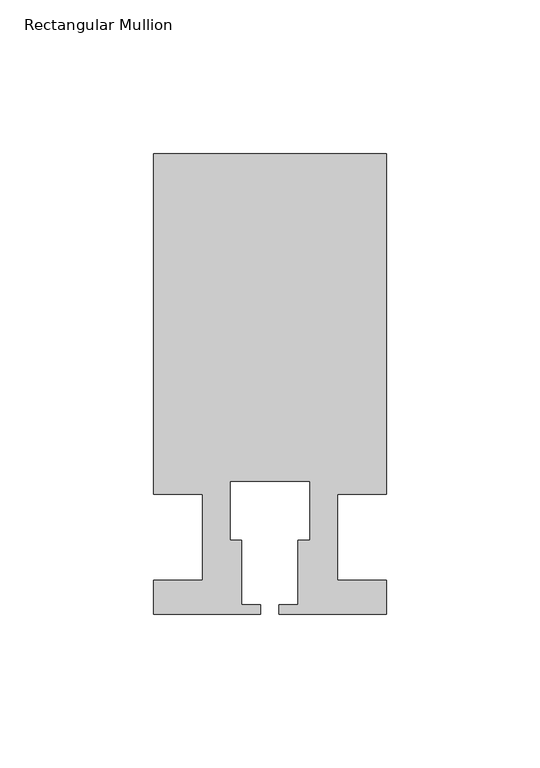
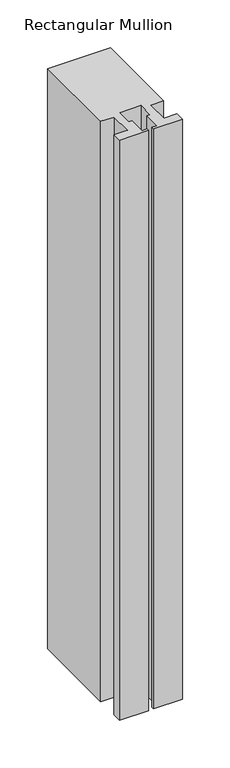
"""IFC4 building model written with IfcOpenShell, lengths in millimetres: member geometry, Rectangular Mullion."""

from ifc_helpers import new_model, si_unit, frame, origin, place, context, project, spatial, polyline, outline, extrude, source, transform, mapped, element, save


def rectangular_mullion_6ab8b440(model_context):
    return source(origin(), model_context, "Body", "SweptSolid", [
        extrude(outline(polyline([(37.9999914, 124.9960123), (37.9999914, 13.9960123), (21.9999651, 13.9960123), (21.9999651, -14.0039877), (37.9999896, -14.0039877), (37.9999896, -25.0039877), (2.9999651, -25.0039877), (2.9999651, -22.0039877), (9.1999651, -22.0039877), (9.1999651, -1.0039877), (12.9999651, -1.0039877), (12.9999651, 18.1960075), (-12.9999633, 18.1960075), (-12.9999633, -1.0039877), (-9.1999633, -1.0039877), (-9.1999633, -22.0039877), (-2.9999896, -22.0039877), (-2.9999896, -25.0039877), (-37.9999896, -25.0039877), (-37.9999896, -14.0039877), (-21.9999633, -14.0039877), (-21.9999633, 13.9959029), (-37.9999896, 13.9959029), (-37.9999896, 124.9960123), (37.9999914, 124.9960123)])), frame((0.0, 0.0, -740.0), z_axis=(0.0, 0.0, 1.0), x_axis=(1.0, 0.0, 0.0)), (0.0, 0.0, 1.0), 740.0),
    ])


if __name__ == "__main__":
    model = new_model("IFC4")
    model_context = context("Model", 3, world=origin())
    ifc_project = project(units=[si_unit("LENGTHUNIT", "METRE", prefix="MILLI")], contexts=[model_context])
    site = spatial("IfcSite", under=ifc_project)
    building = spatial("IfcBuilding", under=site)
    placement = place(None, origin())
    rectangular_mullion_shape = rectangular_mullion_6ab8b440(model_context)
    element("IfcMember", 1, ObjectType="Rectangular Mullion", at=placement, inside=building, context=model_context, shape_type="MappedRepresentation", body=[
        mapped(rectangular_mullion_shape, transform((0.0, 0.0, 0.0), x_axis=(1.0, 0.0, 0.0), y_axis=(0.0, 1.0, 0.0), z_axis=(0.0, 0.0, 1.0))),
    ])
    save(model, "model.ifc")
